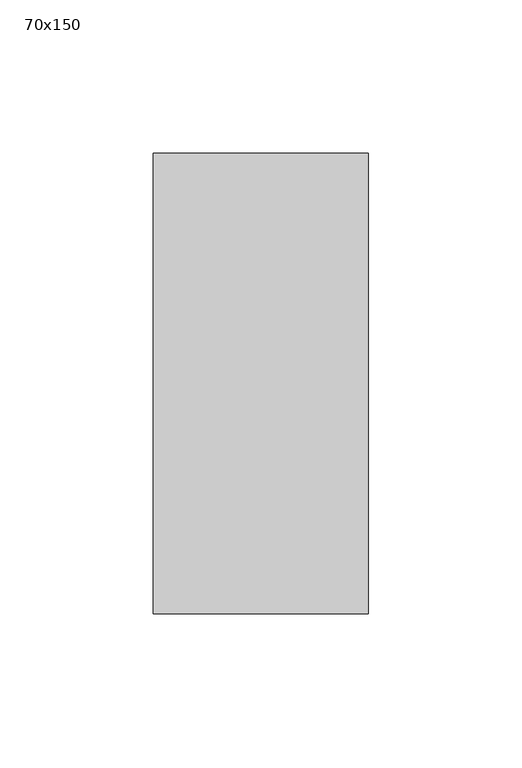
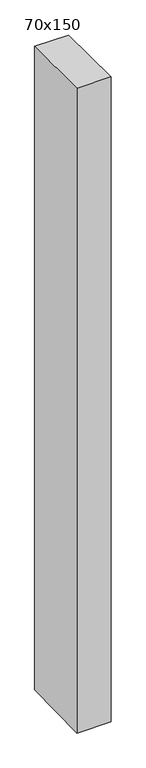
"""IFC4 building model written with IfcOpenShell, lengths in millimetres: member geometry, 70x150."""

from ifc_helpers import new_model, si_unit, frame, origin, place, context, project, spatial, polyline, outline, extrude, source, transform, mapped, element, save


def member_70x150_4fc0aec4(model_context):
    return source(origin(), model_context, "Body", "SweptSolid", [
        extrude(outline(polyline([(-75.0, 0.3082573), (75.0, -0.3082573), (75.0, -1398.7965248), (-75.0, -1401.5521364), (-75.0, 0.3082573)])), frame((-70.0, 0.0, 0.0), z_axis=(1.0, 0.0, 0.0), x_axis=(0.0, 1.0, 0.0)), (0.0, 0.0, 1.0), 70.0),
    ])


if __name__ == "__main__":
    model = new_model("IFC4")
    model_context = context("Model", 3, world=origin())
    ifc_project = project(units=[si_unit("LENGTHUNIT", "METRE", prefix="MILLI")], contexts=[model_context])
    site = spatial("IfcSite", under=ifc_project)
    building = spatial("IfcBuilding", under=site)
    placement = place(None, origin())
    member_70x150_shape = member_70x150_4fc0aec4(model_context)
    element("IfcMember", 1, ObjectType="70x150", at=placement, inside=building, context=model_context, shape_type="MappedRepresentation", body=[
        mapped(member_70x150_shape, transform((0.0, 0.0, 0.0), x_axis=(1.0, 0.0, 0.0), y_axis=(0.0, 1.0, 0.0), z_axis=(0.0, 0.0, 1.0))),
    ])
    save(model, "model.ifc")
